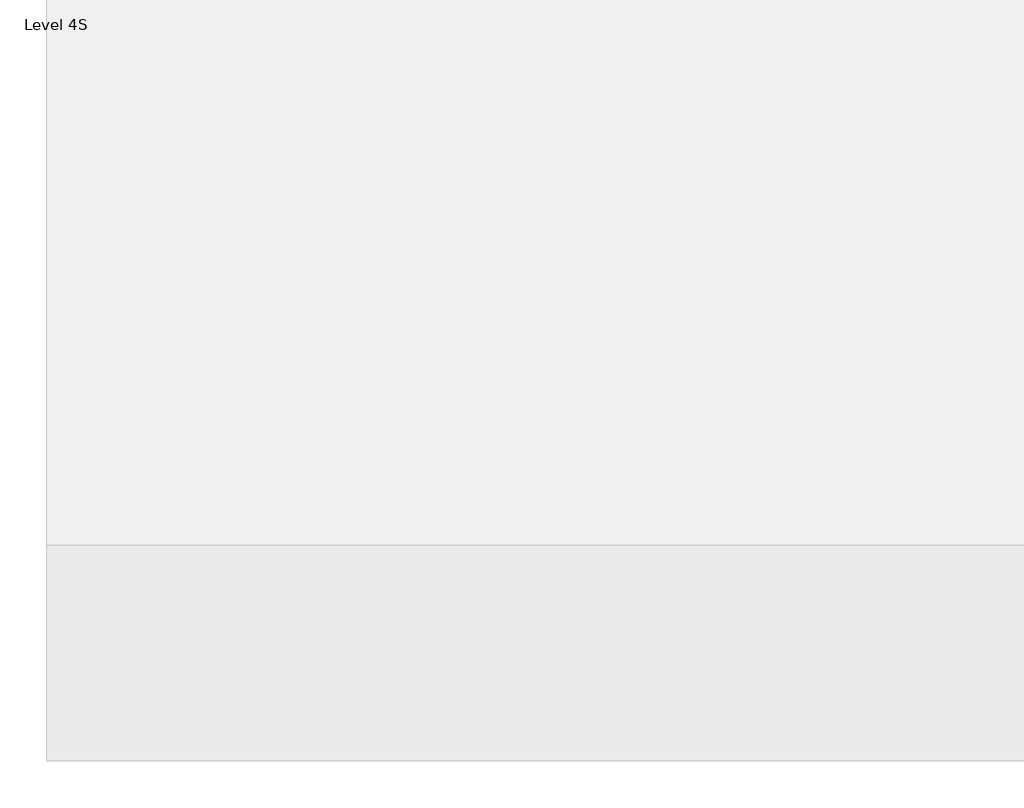
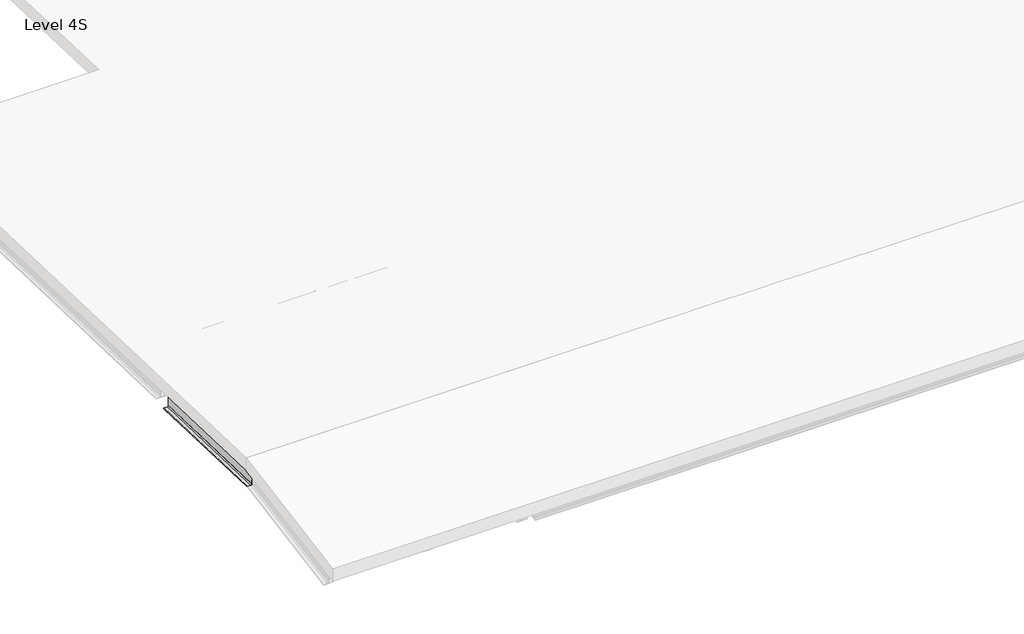
# One storey, part 9 of 15: 6 beams.
"""IFC4 building model written with IfcOpenShell, lengths in millimetres."""

import ifcopenshell
import ifcopenshell.guid

model = None  # the IFC model being written
_history = None  # IfcOwnerHistory: only IFC2X3 demands one
_inside = {}  # id of a spatial element -> (the spatial element, [elements in it])
_under = {}  # id of a project, library or spatial element -> (it, [spatial elements below it])
_declared = {}  # id of a project -> (the project, [libraries it declares])
_typed = {}  # id of a type object -> (the type object, [elements of that type])
_made_of = {}  # id of a material, layer set ... -> (it, [elements and type objects made of it])


def new_model(schema):
    """Start an empty IFC model of exactly this schema.

    Asked for "IFC4X3", IfcOpenShell would pick the latest addendum, in which some entities
    have other attributes; the version numbers below select the first issue.
    IFC2X3 requires an IfcOwnerHistory on every rooted entity: one is made here for all.
    """
    global model, _history
    if schema == "IFC4X3":
        model = ifcopenshell.file(schema_version=(4, 3, 0, 0))
    else:
        model = ifcopenshell.file(schema=schema)
    _inside.clear()
    _under.clear()
    _declared.clear()
    _typed.clear()
    _made_of.clear()
    _history = None
    if model.schema == "IFC2X3":
        org = make("IfcOrganization", Name="unknown")
        user = make(
            "IfcPersonAndOrganization",
            ThePerson=make("IfcPerson", FamilyName="unknown"),
            TheOrganization=org,
        )
        app = make(
            "IfcApplication",
            ApplicationDeveloper=org,
            Version="unknown",
            ApplicationFullName="unknown",
            ApplicationIdentifier="unknown",
        )
        _history = make(
            "IfcOwnerHistory",
            OwningUser=user,
            OwningApplication=app,
            ChangeAction="ADDED",
            CreationDate=0,
        )
    return model


def make(cls, **values):
    """One entity of the class cls with the attributes given. An attribute that is None is left unset."""
    return model.create_entity(
        cls, **{name: value for name, value in values.items() if value is not None}
    )


def rooted(cls, **values):
    """An entity with a GlobalId (a new one), such as an element, a storey or a relation."""
    return make(cls, GlobalId=ifcopenshell.guid.new(), OwnerHistory=_history, **values)


def si_unit(unit_type, name, prefix=None):
    """IfcSIUnit, for example si_unit("LENGTHUNIT", "METRE", prefix="MILLI")."""
    return make("IfcSIUnit", UnitType=unit_type, Prefix=prefix, Name=name)


def assignment(units):
    """IfcUnitAssignment: the units of a project."""
    return None if units is None else make("IfcUnitAssignment", Units=units)


def point(xyz):
    """IfcCartesianPoint."""
    return None if xyz is None else make("IfcCartesianPoint", Coordinates=xyz)


def direction(xyz):
    """IfcDirection."""
    return None if xyz is None else make("IfcDirection", DirectionRatios=xyz)


def frame(location, z_axis=None, x_axis=None):
    """IfcAxis2Placement3D, a coordinate frame: its origin and axes. An axis left out is left unset."""
    return make(
        "IfcAxis2Placement3D",
        Location=point(location),
        Axis=direction(z_axis),
        RefDirection=direction(x_axis),
    )


def origin():
    """The frame at (0, 0, 0) with its axes left unset."""
    return frame((0.0, 0.0, 0.0))


def place(relative_to, where):
    """IfcLocalPlacement: puts the frame where relative to a parent placement (None: the world)."""
    return make(
        "IfcLocalPlacement", PlacementRelTo=relative_to, RelativePlacement=where
    )


def context(
    kind, dimensions, precision=None, world=None, true_north=None, identifier=None
):
    """IfcGeometricRepresentationContext, for example the 3D "Model" context."""
    return make(
        "IfcGeometricRepresentationContext",
        ContextIdentifier=identifier,
        ContextType=kind,
        CoordinateSpaceDimension=dimensions,
        Precision=precision,
        WorldCoordinateSystem=world,
        TrueNorth=true_north,
    )


def project(units=None, contexts=None):
    """IfcProject with its units and contexts."""
    return rooted(
        "IfcProject",
        Name="project",
        RepresentationContexts=contexts,
        UnitsInContext=assignment(units),
    )


def spatial(cls, under=None, at=None, **own):
    """A site, building, storey or space (cls), placed at a placement, below another one or the project."""
    s = rooted(cls, ObjectPlacement=at, **own)
    if under is not None:
        _under.setdefault(under.id(), (under, []))[1].append(s)
    return s


def polyline(points):
    """IfcPolyline through the points."""
    return make("IfcPolyline", Points=[point(p) for p in points])


def circle_curve(where, radius):
    """IfcCircle in the frame where."""
    return make("IfcCircle", Position=where, Radius=radius)


def ellipse_curve(where, semi_axis1, semi_axis2):
    """IfcEllipse in the frame where."""
    return make(
        "IfcEllipse", Position=where, SemiAxis1=semi_axis1, SemiAxis2=semi_axis2
    )


def shape(context_of_items, identifier, shape_type, items):
    """IfcShapeRepresentation: the items that make up one representation, for example the "Body"."""
    return make(
        "IfcShapeRepresentation",
        ContextOfItems=context_of_items,
        RepresentationIdentifier=identifier,
        RepresentationType=shape_type,
        Items=items,
    )


def made_of(thing, what):
    """Note that an element or type object is made of a material, layer set ...; save() writes the relation."""
    if what is not None:
        _made_of.setdefault(what.id(), (what, []))[1].append(thing)
    return thing


def element(
    cls,
    number,
    at=None,
    inside=None,
    cuts=None,
    type_object=None,
    material=None,
    context=None,
    identifier="Body",
    shape_type=None,
    held_by="IfcProductDefinitionShape",
    body=None,
    shapes=None,
    **own,
):
    """One element of the class cls, such as IfcWall. Its Tag is "e" and its number.

    at: its placement. inside: the storey or other place that contains it. cuts: it is an
    opening in that element (IfcRelVoidsElement). A single representation is given by context,
    identifier, shape_type and body (its items); several are given by shapes. held_by: the class
    of the entity that holds the representations. save() writes the other relations.
    """
    e = rooted(cls, Tag="e%d" % number, ObjectPlacement=at, **own)
    if body is not None:
        shapes = [shape(context, identifier, shape_type, body)]
    if shapes is not None:
        e.Representation = make(held_by, Representations=shapes)
    if inside is not None:
        _inside.setdefault(inside.id(), (inside, []))[1].append(e)
    if cuts is not None:
        rooted(
            "IfcRelVoidsElement", RelatingBuildingElement=cuts, RelatedOpeningElement=e
        )
    if type_object is not None:
        _typed.setdefault(type_object.id(), (type_object, []))[1].append(e)
    return made_of(e, material)


def aggregate(whole, parts):
    """IfcRelAggregates: a whole, such as a stair, and the parts it consists of."""
    return rooted("IfcRelAggregates", RelatingObject=whole, RelatedObjects=parts)


def save(model, path):
    """Write the relations noted so far, then the file.

    IfcRelAggregates (storeys below a building ...), IfcRelContainedInSpatialStructure (elements
    in a storey), IfcRelDefinesByType, IfcRelAssociatesMaterial and IfcRelDeclares: one each for
    every whole, place, type object, material and project.
    """
    for whole, parts in _under.values():
        aggregate(whole, parts)
    for where, things in _inside.values():
        rooted(
            "IfcRelContainedInSpatialStructure",
            RelatedElements=things,
            RelatingStructure=where,
        )
    for kind, things in _typed.values():
        rooted("IfcRelDefinesByType", RelatedObjects=things, RelatingType=kind)
    for what, things in _made_of.values():
        rooted("IfcRelAssociatesMaterial", RelatedObjects=things, RelatingMaterial=what)
    for by, libraries in _declared.values():
        rooted("IfcRelDeclares", RelatingContext=by, RelatedDefinitions=libraries)
    model.write(path)


def plane_surface(at):
    """IfcPlane: the flat surface through the origin of the frame at, square to its z axis."""
    return make("IfcPlane", Position=at)


def revolved_surface(curve, axis_point, axis_direction):
    """IfcSurfaceOfRevolution: the curve turned about the line through axis_point along axis_direction."""
    return make(
        "IfcSurfaceOfRevolution",
        SweptCurve=make("IfcArbitraryOpenProfileDef", ProfileType="CURVE", Curve=curve),
        AxisPosition=make("IfcAxis1Placement", Location=point(axis_point), Axis=direction(axis_direction)),
    )


def advanced_brep(points, edges, surfaces, faces):
    """IfcAdvancedBrep: a solid bounded by faces that lie on surfaces and meet in shared edges.

    An edge is (start, end): straight between two places in points (the first is 0);
    or (start, end, curve); or (start, end, curve, False) where it runs against its curve.
    A face is (place in surfaces, loops), or (place, loops, False) where it looks against
    its surface's normal. A loop lists edges by number (the first is 1), with a minus sign
    where the edge is run from its end to its start. The first loop is the outer one.
    """
    corners = [point(p) for p in points]
    vertices = [make("IfcVertexPoint", VertexGeometry=c) for c in corners]
    made = []
    for start, end, *more in edges:
        made.append(
            make(
                "IfcEdgeCurve",
                EdgeStart=vertices[start],
                EdgeEnd=vertices[end],
                EdgeGeometry=more[0] if more else make("IfcPolyline", Points=[corners[start], corners[end]]),
                SameSense=more[1] if len(more) > 1 else True,
            )
        )
    hull = []
    for where, loops, *sense in faces:
        bounds = []
        for j, loop in enumerate(loops):
            ring = [make("IfcOrientedEdge", EdgeElement=made[abs(k) - 1], Orientation=k > 0) for k in loop]
            bounds.append(
                make(
                    "IfcFaceOuterBound" if j == 0 else "IfcFaceBound",
                    Bound=make("IfcEdgeLoop", EdgeList=ring),
                    Orientation=True,
                )
            )
        hull.append(make("IfcAdvancedFace", Bounds=bounds, FaceSurface=surfaces[where], SameSense=sense[0] if sense else True))
    return make("IfcAdvancedBrep", Outer=make("IfcClosedShell", CfsFaces=hull))


model = new_model("IFC4")

# Units and contexts
model_context = context("Model", 3, world=origin())
ifc_project = project(units=[si_unit("LENGTHUNIT", "METRE", prefix="MILLI")], contexts=[model_context])

# Site, building, storey
site = spatial("IfcSite", under=ifc_project)
building = spatial("IfcBuilding", under=site)
storey = spatial("IfcBuildingStorey", under=building, Name="Level 4S", Elevation=15900.0)

# Beams
placement = place(None, origin())
element("IfcBeam", 1, ObjectType="IPE-Section : IPE 240", at=placement, inside=storey, context=model_context, shape_type="AdvancedBrep", body=[
    advanced_brep(
    [(-3172.5749186, -23184.2185102, 14451.6833208), (-3214.4749186, -23184.2185102, 14451.6833208), (-3229.4749186, -23186.8095949, 14466.4578353), (-3229.4749186, -23219.6990962, 14653.9956734), (-3214.4749186, -23222.2901809, 14668.7701879), (-3172.5749186, -23222.2901809, 14668.7701879), (-3172.5749186, -23223.9830229, 14678.4228708), (-3292.5749186, -23223.9830229, 14678.4228708), (-3292.5749186, -23222.2901809, 14668.7701879), (-3250.6749186, -23222.2901809, 14668.7701879), (-3235.6749186, -23219.6990962, 14653.9956734), (-3235.6749186, -23186.8095949, 14466.4578353), (-3250.6749186, -23184.2185102, 14451.6833208), (-3292.5749186, -23184.2185102, 14451.6833208), (-3292.5749186, -23182.5256682, 14442.0306379), (-3172.5749186, -23182.5256682, 14442.0306379), (-3214.4749186, -21092.1754011, 14818.5759721), (-3172.5749186, -21092.1754011, 14818.5759721), (-3229.4749186, -21093.2402347, 14833.6181534), (-3229.4749186, -21106.7565219, 15024.5535743), (-3214.4749186, -21107.8213555, 15039.5957556), (-3172.5749186, -21107.8213555, 15039.5957556), (-3172.5749186, -21108.5170467, 15049.423314), (-3292.5749186, -21108.5170467, 15049.423314), (-3292.5749186, -21107.8213555, 15039.5957556), (-3250.6749186, -21107.8213555, 15039.5957556), (-3235.6749186, -21106.7565219, 15024.5535743), (-3235.6749186, -21093.2402347, 14833.6181534), (-3250.6749186, -21092.1754011, 14818.5759721), (-3292.5749186, -21092.1754011, 14818.5759721), (-3292.5749186, -21091.4797099, 14808.7484137), (-3172.5749186, -21091.4797099, 14808.7484137)],
    [
        (0, 1),
        (1, 2, circle_curve(frame((-3214.4749186, -23186.8095949, 14466.4578353), z_axis=(0.0, 0.9849676368369048, 0.17273897760471782), x_axis=(-1.0, 0.0, 0.0)), 15.0)),
        (2, 3),
        (3, 4, circle_curve(frame((-3214.4749186, -23219.6990962, 14653.9956734), z_axis=(0.0, 0.9849676368369048, 0.17273897760471782), x_axis=(-1.0, 0.0, 0.0)), 15.0)),
        (4, 5),
        (5, 6),
        (6, 7),
        (7, 8),
        (8, 9),
        (9, 10, circle_curve(frame((-3250.6749186, -23219.6990962, 14653.9956734), z_axis=(0.0, 0.9849676368369048, 0.17273897760471782), x_axis=(-1.0, 0.0, 0.0)), 15.0)),
        (10, 11),
        (11, 12, circle_curve(frame((-3250.6749186, -23186.8095949, 14466.4578353), z_axis=(0.0, 0.9849676368369048, 0.17273897760471782), x_axis=(-1.0, 0.0, 0.0)), 15.0)),
        (12, 13),
        (13, 14),
        (14, 15),
        (15, 0),
        (16, 1),
        (0, 17),
        (17, 16),
        (18, 2),
        (16, 18, ellipse_curve(frame((-3214.4749186, -21093.2402347, 14833.6181534), z_axis=(0.0, 0.9975037774235432, 0.07061312927326088), x_axis=(0.0, 0.07061312927326037, -0.9975037774235433)), 15.0798239, 15.0)),
        (19, 3),
        (18, 19),
        (20, 4),
        (19, 20, ellipse_curve(frame((-3214.4749186, -21106.7565219, 15024.5535743), z_axis=(0.0, 0.9975037774235432, 0.07061312927326088), x_axis=(0.0, 0.07061312927326037, -0.9975037774235433)), 15.0798239, 15.0)),
        (21, 5),
        (20, 21),
        (22, 6),
        (21, 22),
        (23, 7),
        (22, 23),
        (24, 8),
        (23, 24),
        (25, 9),
        (24, 25),
        (26, 10),
        (25, 26, ellipse_curve(frame((-3250.6749186, -21106.7565219, 15024.5535743), z_axis=(0.0, 0.9975037774235432, 0.07061312927326088), x_axis=(0.0, 0.07061312927326037, -0.9975037774235433)), 15.0798239, 15.0)),
        (27, 11),
        (26, 27),
        (28, 12),
        (27, 28, ellipse_curve(frame((-3250.6749186, -21093.2402347, 14833.6181534), z_axis=(0.0, 0.9975037774235432, 0.07061312927326088), x_axis=(0.0, 0.07061312927326037, -0.9975037774235433)), 15.0798239, 15.0)),
        (29, 13),
        (28, 29),
        (30, 14),
        (29, 30),
        (31, 15),
        (30, 31),
        (31, 17),
    ],
    [
        plane_surface(frame((-3232.5749186, -23203.2543455, 14560.2267544), z_axis=(0.0, -0.9849676368369048, -0.17273897760471782), x_axis=(0.0, -0.17273897760471782, 0.9849676368369048))),
        plane_surface(frame((-3172.5749186, -21068.7525341, 14822.683764), z_axis=(0.0, -0.17273897760471782, 0.9849676368369048), x_axis=(0.0, -0.9849676368369048, -0.17273897760471782))),
        revolved_surface(polyline([(-3229.4749186, -23186.809594902814, 14466.457835316045), (-3229.4749186, -21091.71398358211, 14833.885820103322)]), (-3214.4749186, -21071.3436187, 14837.4582786), (0.0, -0.9849676368369048, -0.17273897760471782)),
        plane_surface(frame((-3229.4749186, -21071.3436187, 14837.4582786), z_axis=(1.0, 0.0, 0.0), x_axis=(0.0, -0.9849676368369048, -0.17273897760471782))),
        revolved_surface(polyline([(-3229.4749186, -23219.6990962496, 14653.99567342538), (-3229.4749186, -21105.230270801516, 15024.821241113985)]), (-3214.4749186, -21104.2331201, 15024.9961167), (0.0, -0.9849676368369048, -0.17273897760471782)),
        plane_surface(frame((-3214.4749186, -21106.8242047, 15039.7706312), z_axis=(0.0, 0.17273897760471782, -0.9849676368369048), x_axis=(0.0, -0.9849676368369048, -0.17273897760471782))),
        plane_surface(frame((-3172.5749186, -21106.8242047, 15039.7706312), z_axis=(1.0, 0.0, 0.0), x_axis=(0.0, -0.9849676368369048, -0.17273897760471782))),
        plane_surface(frame((-3172.5749186, -21108.5170467, 15049.423314), z_axis=(0.0, -0.17273897760471782, 0.9849676368369048), x_axis=(0.0, -0.9849676368369048, -0.17273897760471782))),
        plane_surface(frame((-3292.5749186, -21108.5170467, 15049.423314), z_axis=(-1.0, 0.0, 0.0), x_axis=(0.0, -0.9849676368369048, -0.17273897760471782))),
        plane_surface(frame((-3292.5749186, -21106.8242047, 15039.7706312), z_axis=(0.0, 0.17273897760471782, -0.9849676368369048), x_axis=(0.0, -0.9849676368369048, -0.17273897760471782))),
        revolved_surface(polyline([(-3265.6749186, -23219.6990962496, 14653.99567342538), (-3265.6749186, -21105.230270801516, 15024.821241113985)]), (-3250.6749186, -21104.2331201, 15024.9961167), (0.0, -0.9849676368369048, -0.17273897760471782)),
        plane_surface(frame((-3235.6749186, -21104.2331201, 15024.9961167), z_axis=(-1.0, 0.0, 0.0), x_axis=(0.0, -0.9849676368369048, -0.17273897760471782))),
        revolved_surface(polyline([(-3265.6749186, -23186.809594902814, 14466.457835316045), (-3265.6749186, -21091.71398358211, 14833.885820103322)]), (-3250.6749186, -21071.3436187, 14837.4582786), (0.0, -0.9849676368369048, -0.17273897760471782)),
        plane_surface(frame((-3250.6749186, -21068.7525341, 14822.683764), z_axis=(0.0, -0.17273897760471782, 0.9849676368369048), x_axis=(0.0, -0.9849676368369048, -0.17273897760471782))),
        plane_surface(frame((-3292.5749186, -21068.7525341, 14822.683764), z_axis=(-1.0, 0.0, 0.0), x_axis=(0.0, -0.9849676368369048, -0.17273897760471782))),
        plane_surface(frame((-3292.5749186, -21067.0596921, 14813.0310812), z_axis=(0.0, 0.17273897760471782, -0.9849676368369048), x_axis=(0.0, -0.9849676368369048, -0.17273897760471782))),
        plane_surface(frame((-3172.5749186, -21067.0596921, 14813.0310812), z_axis=(1.0, 0.0, 0.0), x_axis=(0.0, -0.9849676368369048, -0.17273897760471782))),
        plane_surface(frame((-3232.5749186, -21108.5170467, 15049.423314), z_axis=(0.0, 0.9975037774235432, 0.07061312927326088), x_axis=(1.0, 0.0, 0.0))),
    ],
    [
        (0, [[1, 2, 3, 4, 5, 6, 7, 8, 9, 10, 11, 12, 13, 14, 15, 16]]),
        (1, [[17, -1, 18, 19]]),
        (2, [[20, -2, -17, 21]]),
        (3, [[22, -3, -20, 23]]),
        (4, [[24, -4, -22, 25]]),
        (5, [[26, -5, -24, 27]]),
        (6, [[28, -6, -26, 29]]),
        (7, [[30, -7, -28, 31]]),
        (8, [[32, -8, -30, 33]]),
        (9, [[34, -9, -32, 35]]),
        (10, [[36, -10, -34, 37]]),
        (11, [[38, -11, -36, 39]]),
        (12, [[40, -12, -38, 41]]),
        (13, [[42, -13, -40, 43]]),
        (14, [[44, -14, -42, 45]]),
        (15, [[46, -15, -44, 47]]),
        (16, [[-18, -16, -46, 48]]),
        (17, [[-48, -47, -45, -43, -41, -39, -37, -35, -33, -31, -29, -27, -25, -23, -21, -19]]),
    ],
),
])
element("IfcBeam", 2, ObjectType="IPE-Section : IPE 240", at=placement, inside=storey, context=model_context, shape_type="AdvancedBrep", body=[
    advanced_brep(
    [(-55.0786851, -23184.2185102, 14451.6833208), (-96.9786851, -23184.2185102, 14451.6833208), (-111.9786851, -23186.8095949, 14466.4578353), (-111.9786851, -23219.6990962, 14653.9956734), (-96.9786851, -23222.2901809, 14668.7701879), (-55.0786851, -23222.2901809, 14668.7701879), (-55.0786851, -23223.9830229, 14678.4228708), (-175.0786851, -23223.9830229, 14678.4228708), (-175.0786851, -23222.2901809, 14668.7701879), (-133.1786851, -23222.2901809, 14668.7701879), (-118.1786851, -23219.6990962, 14653.9956734), (-118.1786851, -23186.8095949, 14466.4578353), (-133.1786851, -23184.2185102, 14451.6833208), (-175.0786851, -23184.2185102, 14451.6833208), (-175.0786851, -23182.5256682, 14442.0306379), (-55.0786851, -23182.5256682, 14442.0306379), (-96.9786851, -21092.1754011, 14818.5759721), (-55.0786851, -21092.1754011, 14818.5759721), (-111.9786851, -21093.2402347, 14833.6181534), (-111.9786851, -21106.7565219, 15024.5535743), (-96.9786851, -21107.8213555, 15039.5957556), (-55.0786851, -21107.8213555, 15039.5957556), (-55.0786851, -21108.5170467, 15049.423314), (-175.0786851, -21108.5170467, 15049.423314), (-175.0786851, -21107.8213555, 15039.5957556), (-133.1786851, -21107.8213555, 15039.5957556), (-118.1786851, -21106.7565219, 15024.5535743), (-118.1786851, -21093.2402347, 14833.6181534), (-133.1786851, -21092.1754011, 14818.5759721), (-175.0786851, -21092.1754011, 14818.5759721), (-175.0786851, -21091.4797099, 14808.7484137), (-55.0786851, -21091.4797099, 14808.7484137)],
    [
        (0, 1),
        (1, 2, circle_curve(frame((-96.9786851, -23186.8095949, 14466.4578353), z_axis=(0.0, 0.9849676368369048, 0.17273897760471782), x_axis=(-1.0, 0.0, 0.0)), 15.0)),
        (2, 3),
        (3, 4, circle_curve(frame((-96.9786851, -23219.6990962, 14653.9956734), z_axis=(0.0, 0.9849676368369048, 0.17273897760471782), x_axis=(-1.0, 0.0, 0.0)), 15.0)),
        (4, 5),
        (5, 6),
        (6, 7),
        (7, 8),
        (8, 9),
        (9, 10, circle_curve(frame((-133.1786851, -23219.6990962, 14653.9956734), z_axis=(0.0, 0.9849676368369048, 0.17273897760471782), x_axis=(-1.0, 0.0, 0.0)), 15.0)),
        (10, 11),
        (11, 12, circle_curve(frame((-133.1786851, -23186.8095949, 14466.4578353), z_axis=(0.0, 0.9849676368369048, 0.17273897760471782), x_axis=(-1.0, 0.0, 0.0)), 15.0)),
        (12, 13),
        (13, 14),
        (14, 15),
        (15, 0),
        (16, 1),
        (0, 17),
        (17, 16),
        (18, 2),
        (16, 18, ellipse_curve(frame((-96.9786851, -21093.2402347, 14833.6181534), z_axis=(0.0, 0.997503777423542, 0.07061312927327876), x_axis=(0.0, 0.07061312927327909, -0.997503777423542)), 15.0798239, 15.0)),
        (19, 3),
        (18, 19),
        (20, 4),
        (19, 20, ellipse_curve(frame((-96.9786851, -21106.7565219, 15024.5535743), z_axis=(0.0, 0.997503777423542, 0.07061312927327876), x_axis=(0.0, 0.07061312927327909, -0.997503777423542)), 15.0798239, 15.0)),
        (21, 5),
        (20, 21),
        (22, 6),
        (21, 22),
        (23, 7),
        (22, 23),
        (24, 8),
        (23, 24),
        (25, 9),
        (24, 25),
        (26, 10),
        (25, 26, ellipse_curve(frame((-133.1786851, -21106.7565219, 15024.5535743), z_axis=(0.0, 0.997503777423542, 0.07061312927327876), x_axis=(0.0, 0.07061312927327909, -0.997503777423542)), 15.0798239, 15.0)),
        (27, 11),
        (26, 27),
        (28, 12),
        (27, 28, ellipse_curve(frame((-133.1786851, -21093.2402347, 14833.6181534), z_axis=(0.0, 0.997503777423542, 0.07061312927327876), x_axis=(0.0, 0.07061312927327909, -0.997503777423542)), 15.0798239, 15.0)),
        (29, 13),
        (28, 29),
        (30, 14),
        (29, 30),
        (31, 15),
        (30, 31),
        (31, 17),
    ],
    [
        plane_surface(frame((-115.0786851, -23203.2543455, 14560.2267544), z_axis=(0.0, -0.9849676368369048, -0.17273897760471782), x_axis=(0.0, -0.17273897760471782, 0.9849676368369048))),
        plane_surface(frame((-55.0786851, -21068.7525341, 14822.683764), z_axis=(0.0, -0.17273897760471782, 0.9849676368369048), x_axis=(0.0, -0.9849676368369048, -0.17273897760471782))),
        revolved_surface(polyline([(-111.9786851, -23186.809594902814, 14466.457835316045), (-111.9786851, -21091.71398358211, 14833.885820103322)]), (-96.9786851, -21071.3436187, 14837.4582786), (0.0, -0.9849676368369048, -0.17273897760471782)),
        plane_surface(frame((-111.9786851, -21071.3436187, 14837.4582786), z_axis=(1.0, 0.0, 0.0), x_axis=(0.0, -0.9849676368369048, -0.17273897760471782))),
        revolved_surface(polyline([(-111.9786851, -23219.6990962496, 14653.99567342538), (-111.9786851, -21105.230270801516, 15024.821241113985)]), (-96.9786851, -21104.2331201, 15024.9961167), (0.0, -0.9849676368369048, -0.17273897760471782)),
        plane_surface(frame((-96.9786851, -21106.8242047, 15039.7706312), z_axis=(0.0, 0.17273897760471782, -0.9849676368369048), x_axis=(0.0, -0.9849676368369048, -0.17273897760471782))),
        plane_surface(frame((-55.0786851, -21106.8242047, 15039.7706312), z_axis=(1.0, 0.0, 0.0), x_axis=(0.0, -0.9849676368369048, -0.17273897760471782))),
        plane_surface(frame((-55.0786851, -21108.5170467, 15049.423314), z_axis=(0.0, -0.17273897760471782, 0.9849676368369048), x_axis=(0.0, -0.9849676368369048, -0.17273897760471782))),
        plane_surface(frame((-175.0786851, -21108.5170467, 15049.423314), z_axis=(-1.0, 0.0, 0.0), x_axis=(0.0, -0.9849676368369048, -0.17273897760471782))),
        plane_surface(frame((-175.0786851, -21106.8242047, 15039.7706312), z_axis=(0.0, 0.17273897760471782, -0.9849676368369048), x_axis=(0.0, -0.9849676368369048, -0.17273897760471782))),
        revolved_surface(polyline([(-148.1786851, -23219.6990962496, 14653.99567342538), (-148.1786851, -21105.230270801516, 15024.821241113985)]), (-133.1786851, -21104.2331201, 15024.9961167), (0.0, -0.9849676368369048, -0.17273897760471782)),
        plane_surface(frame((-118.1786851, -21104.2331201, 15024.9961167), z_axis=(-1.0, 0.0, 0.0), x_axis=(0.0, -0.9849676368369048, -0.17273897760471782))),
        revolved_surface(polyline([(-148.1786851, -23186.809594902814, 14466.457835316045), (-148.1786851, -21091.71398358211, 14833.885820103322)]), (-133.1786851, -21071.3436187, 14837.4582786), (0.0, -0.9849676368369048, -0.17273897760471782)),
        plane_surface(frame((-133.1786851, -21068.7525341, 14822.683764), z_axis=(0.0, -0.17273897760471782, 0.9849676368369048), x_axis=(0.0, -0.9849676368369048, -0.17273897760471782))),
        plane_surface(frame((-175.0786851, -21068.7525341, 14822.683764), z_axis=(-1.0, 0.0, 0.0), x_axis=(0.0, -0.9849676368369048, -0.17273897760471782))),
        plane_surface(frame((-175.0786851, -21067.0596921, 14813.0310812), z_axis=(0.0, 0.17273897760471782, -0.9849676368369048), x_axis=(0.0, -0.9849676368369048, -0.17273897760471782))),
        plane_surface(frame((-55.0786851, -21067.0596921, 14813.0310812), z_axis=(1.0, 0.0, 0.0), x_axis=(0.0, -0.9849676368369048, -0.17273897760471782))),
        plane_surface(frame((-115.0786851, -21108.5170467, 15049.423314), z_axis=(0.0, 0.997503777423542, 0.07061312927327876), x_axis=(1.0, 0.0, 0.0))),
    ],
    [
        (0, [[1, 2, 3, 4, 5, 6, 7, 8, 9, 10, 11, 12, 13, 14, 15, 16]]),
        (1, [[17, -1, 18, 19]]),
        (2, [[20, -2, -17, 21]]),
        (3, [[22, -3, -20, 23]]),
        (4, [[24, -4, -22, 25]]),
        (5, [[26, -5, -24, 27]]),
        (6, [[28, -6, -26, 29]]),
        (7, [[30, -7, -28, 31]]),
        (8, [[32, -8, -30, 33]]),
        (9, [[34, -9, -32, 35]]),
        (10, [[36, -10, -34, 37]]),
        (11, [[38, -11, -36, 39]]),
        (12, [[40, -12, -38, 41]]),
        (13, [[42, -13, -40, 43]]),
        (14, [[44, -14, -42, 45]]),
        (15, [[46, -15, -44, 47]]),
        (16, [[-18, -16, -46, 48]]),
        (17, [[-48, -47, -45, -43, -41, -39, -37, -35, -33, -31, -29, -27, -25, -23, -21, -19]]),
    ],
),
])
element("IfcBeam", 3, ObjectType="IPE-Section : IPE 240", at=placement, inside=storey, context=model_context, shape_type="AdvancedBrep", body=[
    advanced_brep(
    [(-6247.5748748, -17859.6512172, 14714.2395), (-6247.5748748, -17859.967368, 14704.4446009), (-6367.5748748, -17859.967368, 14704.4446009), (-6367.5748748, -17859.6512172, 14714.2395), (-6325.6748748, -17859.6512172, 14714.2395), (-6310.6748748, -17859.1673129, 14729.2316926), (-6310.6748748, -17853.0249538, 14919.5325896), (-6325.6748748, -17852.5410495, 14934.5247822), (-6367.5748748, -17852.5410495, 14934.5247822), (-6367.5748748, -17852.2248986, 14944.3196813), (-6247.5748748, -17852.2248986, 14944.3196813), (-6247.5748748, -17852.5410495, 14934.5247822), (-6289.4748748, -17852.5410495, 14934.5247822), (-6304.4748748, -17853.0249538, 14919.5325896), (-6304.4748748, -17859.1673129, 14729.2316926), (-6289.4748748, -17859.6512172, 14714.2395), (-6289.4748748, -21092.1754011, 14818.5759721), (-6247.5748748, -21092.1754011, 14818.5759721), (-6304.4748748, -21093.2402347, 14833.6181534), (-6304.4748748, -21106.7565219, 15024.5535743), (-6289.4748748, -21107.8213555, 15039.5957556), (-6247.5748748, -21107.8213555, 15039.5957556), (-6247.5748748, -21108.5170467, 15049.423314), (-6367.5748748, -21108.5170467, 15049.423314), (-6367.5748748, -21107.8213555, 15039.5957556), (-6325.6748748, -21107.8213555, 15039.5957556), (-6310.6748748, -21106.7565219, 15024.5535743), (-6310.6748748, -21093.2402347, 14833.6181534), (-6325.6748748, -21092.1754011, 14818.5759721), (-6367.5748748, -21092.1754011, 14818.5759721), (-6367.5748748, -21091.4797099, 14808.7484137), (-6247.5748748, -21091.4797099, 14808.7484137)],
    [
        (0, 1),
        (1, 2),
        (2, 3),
        (3, 4),
        (4, 5, circle_curve(frame((-6325.6748748, -17859.1673129, 14729.2316926), z_axis=(0.0, -0.9994795014102584, 0.032260289222220004), x_axis=(-1.0, 0.0, 0.0)), 15.0)),
        (5, 6),
        (6, 7, circle_curve(frame((-6325.6748748, -17853.0249538, 14919.5325896), z_axis=(0.0, -0.9994795014102584, 0.032260289222220004), x_axis=(-1.0, 0.0, 0.0)), 15.0)),
        (7, 8),
        (8, 9),
        (9, 10),
        (10, 11),
        (11, 12),
        (12, 13, circle_curve(frame((-6289.4748748, -17853.0249538, 14919.5325896), z_axis=(0.0, -0.9994795014102584, 0.032260289222220004), x_axis=(-1.0, 0.0, 0.0)), 15.0)),
        (13, 14),
        (14, 15, circle_curve(frame((-6289.4748748, -17859.1673129, 14729.2316926), z_axis=(0.0, -0.9994795014102584, 0.032260289222220004), x_axis=(-1.0, 0.0, 0.0)), 15.0)),
        (15, 0),
        (15, 16),
        (16, 17),
        (17, 0),
        (14, 18),
        (18, 16, ellipse_curve(frame((-6289.4748748, -21093.2402347, 14833.6181534), z_axis=(0.0, -0.997503777423277, -0.07061312927702171), x_axis=(0.0, -0.07061312927702196, 0.997503777423277)), 15.0798239, 15.0)),
        (13, 19),
        (19, 18),
        (12, 20),
        (20, 19, ellipse_curve(frame((-6289.4748748, -21106.7565219, 15024.5535743), z_axis=(0.0, -0.997503777423277, -0.07061312927702171), x_axis=(0.0, -0.07061312927702196, 0.997503777423277)), 15.0798239, 15.0)),
        (11, 21),
        (21, 20),
        (10, 22),
        (22, 21),
        (9, 23),
        (23, 22),
        (8, 24),
        (24, 23),
        (7, 25),
        (25, 24),
        (6, 26),
        (26, 25, ellipse_curve(frame((-6325.6748748, -21106.7565219, 15024.5535743), z_axis=(0.0, -0.997503777423277, -0.07061312927702171), x_axis=(0.0, -0.07061312927702196, 0.997503777423277)), 15.0798239, 15.0)),
        (5, 27),
        (27, 26),
        (4, 28),
        (28, 27, ellipse_curve(frame((-6325.6748748, -21093.2402347, 14833.6181534), z_axis=(0.0, -0.997503777423277, -0.07061312927702171), x_axis=(0.0, -0.07061312927702196, 0.997503777423277)), 15.0798239, 15.0)),
        (3, 29),
        (29, 28),
        (2, 30),
        (30, 29),
        (1, 31),
        (31, 30),
        (17, 31),
    ],
    [
        plane_surface(frame((-6307.5748748, -17856.0961333, 14824.3821411), z_axis=(0.0, 0.9994795014102584, -0.032260289222220004), x_axis=(0.0, 0.032260289222220004, 0.9994795014102584))),
        plane_surface(frame((-6247.5748748, -17859.6512172, 14714.2395), z_axis=(0.0, 0.032260289222220004, 0.9994795014102584), x_axis=(0.0, -0.9994795014102584, 0.032260289222220004))),
        revolved_surface(polyline([(-6304.4748748, -21094.78897259292, 14833.668142180097), (-6304.4748748, -17859.167312859165, 14729.231692598682)]), (-6289.4748748, -17859.1673129, 14729.2316926), (0.0, -0.9994795014102584, 0.032260289222220004)),
        plane_surface(frame((-6304.4748748, -17859.1673129, 14729.2316926), z_axis=(1.0, 0.0, 0.0), x_axis=(0.0, -0.9994795014102584, 0.032260289222220004))),
        revolved_surface(polyline([(-6304.4748748, -21108.30525983876, 15024.603563065719), (-6304.4748748, -17853.0249538, 14919.5325896)]), (-6289.4748748, -17853.0249538, 14919.5325896), (0.0, -0.9994795014102584, 0.032260289222220004)),
        plane_surface(frame((-6289.4748748, -17852.5410495, 14934.5247822), z_axis=(0.0, -0.032260289222220004, -0.9994795014102584), x_axis=(0.0, -0.9994795014102584, 0.032260289222220004))),
        plane_surface(frame((-6247.5748748, -17852.5410495, 14934.5247822), z_axis=(1.0, 0.0, 0.0), x_axis=(0.0, -0.9994795014102584, 0.032260289222220004))),
        plane_surface(frame((-6247.5748748, -17852.2248986, 14944.3196813), z_axis=(0.0, 0.032260289222220004, 0.9994795014102584), x_axis=(0.0, -0.9994795014102584, 0.032260289222220004))),
        plane_surface(frame((-6367.5748748, -17852.2248986, 14944.3196813), z_axis=(-1.0, 0.0, 0.0), x_axis=(0.0, -0.9994795014102584, 0.032260289222220004))),
        plane_surface(frame((-6367.5748748, -17852.5410495, 14934.5247822), z_axis=(0.0, -0.032260289222220004, -0.9994795014102584), x_axis=(0.0, -0.9994795014102584, 0.032260289222220004))),
        revolved_surface(polyline([(-6340.6748748, -21108.30525983876, 15024.603563065719), (-6340.6748748, -17853.0249538, 14919.5325896)]), (-6325.6748748, -17853.0249538, 14919.5325896), (0.0, -0.9994795014102584, 0.032260289222220004)),
        plane_surface(frame((-6310.6748748, -17853.0249538, 14919.5325896), z_axis=(-1.0, 0.0, 0.0), x_axis=(0.0, -0.9994795014102584, 0.032260289222220004))),
        revolved_surface(polyline([(-6340.6748748, -21094.78897259292, 14833.668142180097), (-6340.6748748, -17859.167312859165, 14729.231692598682)]), (-6325.6748748, -17859.1673129, 14729.2316926), (0.0, -0.9994795014102584, 0.032260289222220004)),
        plane_surface(frame((-6325.6748748, -17859.6512172, 14714.2395), z_axis=(0.0, 0.032260289222220004, 0.9994795014102584), x_axis=(0.0, -0.9994795014102584, 0.032260289222220004))),
        plane_surface(frame((-6367.5748748, -17859.6512172, 14714.2395), z_axis=(-1.0, 0.0, 0.0), x_axis=(0.0, -0.9994795014102584, 0.032260289222220004))),
        plane_surface(frame((-6367.5748748, -17859.967368, 14704.4446009), z_axis=(0.0, -0.032260289222220004, -0.9994795014102584), x_axis=(0.0, -0.9994795014102584, 0.032260289222220004))),
        plane_surface(frame((-6247.5748748, -17859.967368, 14704.4446009), z_axis=(1.0, 0.0, 0.0), x_axis=(0.0, -0.9994795014102584, 0.032260289222220004))),
        plane_surface(frame((-6307.5748748, -21108.5170467, 15049.423314), z_axis=(0.0, -0.997503777423277, -0.07061312927702171), x_axis=(1.0, 0.0, 0.0))),
    ],
    [
        (0, [[1, 2, 3, 4, 5, 6, 7, 8, 9, 10, 11, 12, 13, 14, 15, 16]]),
        (1, [[17, 18, 19, -16]]),
        (2, [[20, 21, -17, -15]]),
        (3, [[22, 23, -20, -14]]),
        (4, [[24, 25, -22, -13]]),
        (5, [[26, 27, -24, -12]]),
        (6, [[28, 29, -26, -11]]),
        (7, [[30, 31, -28, -10]]),
        (8, [[32, 33, -30, -9]]),
        (9, [[34, 35, -32, -8]]),
        (10, [[36, 37, -34, -7]]),
        (11, [[38, 39, -36, -6]]),
        (12, [[40, 41, -38, -5]]),
        (13, [[42, 43, -40, -4]]),
        (14, [[44, 45, -42, -3]]),
        (15, [[46, 47, -44, -2]]),
        (16, [[-19, 48, -46, -1]]),
        (17, [[-18, -21, -23, -25, -27, -29, -31, -33, -35, -37, -39, -41, -43, -45, -47, -48]]),
    ],
),
])
element("IfcBeam", 4, ObjectType="IPE-Section : IPE 300", at=placement, inside=storey, context=model_context, shape_type="AdvancedBrep", body=[
    advanced_brep(
    [(-4762.5749186, -17959.6728789, 14658.3371307), (-4762.5749186, -17960.018064, 14647.6427), (-4912.5749186, -17960.018064, 14647.6427), (-4912.5749186, -17959.6728789, 14658.3371307), (-4856.1249186, -17959.6728789, 14658.3371307), (-4841.1249186, -17959.1889746, 14673.3293232), (-4841.1249186, -17951.1690667, 14921.7999272), (-4856.1249186, -17950.6851624, 14936.7921198), (-4912.5749186, -17950.6851624, 14936.7921198), (-4912.5749186, -17950.3399773, 14947.4865504), (-4762.5749186, -17950.3399773, 14947.4865504), (-4762.5749186, -17950.6851624, 14936.7921198), (-4819.0249186, -17950.6851624, 14936.7921198), (-4834.0249186, -17951.1690667, 14921.7999272), (-4834.0249186, -17959.1889746, 14673.3293232), (-4819.0249186, -17959.6728789, 14658.3371307), (-4819.0249186, -21087.9799569, 14759.3097779), (-4762.5749186, -21087.9799569, 14759.3097779), (-4834.0249186, -21089.0447905, 14774.3519592), (-4834.0249186, -21106.6926319, 15023.6510435), (-4819.0249186, -21107.7574654, 15038.6932247), (-4762.5749186, -21107.7574654, 15038.6932247), (-4762.5749186, -21108.5170467, 15049.423314), (-4912.5749186, -21108.5170467, 15049.423314), (-4912.5749186, -21107.7574654, 15038.6932247), (-4856.1249186, -21107.7574654, 15038.6932247), (-4841.1249186, -21106.6926319, 15023.6510435), (-4841.1249186, -21089.0447905, 14774.3519592), (-4856.1249186, -21087.9799569, 14759.3097779), (-4912.5749186, -21087.9799569, 14759.3097779), (-4912.5749186, -21087.2203757, 14748.5796886), (-4762.5749186, -21087.2203757, 14748.5796886)],
    [
        (0, 1),
        (1, 2),
        (2, 3),
        (3, 4),
        (4, 5, circle_curve(frame((-4856.1249186, -17959.1889746, 14673.3293232), z_axis=(0.0, -0.9994795014102584, 0.032260289222220004), x_axis=(-1.0, 0.0, 0.0)), 15.0)),
        (5, 6),
        (6, 7, circle_curve(frame((-4856.1249186, -17951.1690667, 14921.7999272), z_axis=(0.0, -0.9994795014102584, 0.032260289222220004), x_axis=(-1.0, 0.0, 0.0)), 15.0)),
        (7, 8),
        (8, 9),
        (9, 10),
        (10, 11),
        (11, 12),
        (12, 13, circle_curve(frame((-4819.0249186, -17951.1690667, 14921.7999272), z_axis=(0.0, -0.9994795014102584, 0.032260289222220004), x_axis=(-1.0, 0.0, 0.0)), 15.0)),
        (13, 14),
        (14, 15, circle_curve(frame((-4819.0249186, -17959.1889746, 14673.3293232), z_axis=(0.0, -0.9994795014102584, 0.032260289222220004), x_axis=(-1.0, 0.0, 0.0)), 15.0)),
        (15, 0),
        (15, 16),
        (16, 17),
        (17, 0),
        (14, 18),
        (18, 16, ellipse_curve(frame((-4819.0249186, -21089.0447905, 14774.3519592), z_axis=(0.0, -0.9975037774235432, -0.07061312927326102), x_axis=(0.0, -0.07061312927326112, 0.9975037774235431)), 15.0798239, 15.0)),
        (13, 19),
        (19, 18),
        (12, 20),
        (20, 19, ellipse_curve(frame((-4819.0249186, -21106.6926319, 15023.6510435), z_axis=(0.0, -0.9975037774235432, -0.07061312927326102), x_axis=(0.0, -0.07061312927326112, 0.9975037774235431)), 15.0798239, 15.0)),
        (11, 21),
        (21, 20),
        (10, 22),
        (22, 21),
        (9, 23),
        (23, 22),
        (8, 24),
        (24, 23),
        (7, 25),
        (25, 24),
        (6, 26),
        (26, 25, ellipse_curve(frame((-4856.1249186, -21106.6926319, 15023.6510435), z_axis=(0.0, -0.9975037774235432, -0.07061312927326102), x_axis=(0.0, -0.07061312927326112, 0.9975037774235431)), 15.0798239, 15.0)),
        (5, 27),
        (27, 26),
        (4, 28),
        (28, 27, ellipse_curve(frame((-4856.1249186, -21089.0447905, 14774.3519592), z_axis=(0.0, -0.9975037774235432, -0.07061312927326102), x_axis=(0.0, -0.07061312927326112, 0.9975037774235431)), 15.0798239, 15.0)),
        (3, 29),
        (29, 28),
        (2, 30),
        (30, 29),
        (1, 31),
        (31, 30),
        (17, 31),
    ],
    [
        plane_surface(frame((-4837.5749186, -17955.1790207, 14797.5646252), z_axis=(0.0, 0.9994795014102584, -0.032260289222220004), x_axis=(0.0, 0.032260289222220004, 0.9994795014102584))),
        plane_surface(frame((-4762.5749186, -17959.6728789, 14658.3371307), z_axis=(0.0, 0.032260289222220004, 0.9994795014102584), x_axis=(0.0, -0.9994795014102584, 0.032260289222220004))),
        revolved_surface(polyline([(-4834.0249186, -21090.593528394293, 14774.401947935818), (-4834.0249186, -17959.18897456239, 14673.329323198786)]), (-4819.0249186, -17959.1889746, 14673.3293232), (0.0, -0.9994795014102584, 0.032260289222220004)),
        plane_surface(frame((-4834.0249186, -17959.1889746, 14673.3293232), z_axis=(1.0, 0.0, 0.0), x_axis=(0.0, -0.9994795014102584, 0.032260289222220004))),
        revolved_surface(polyline([(-4834.0249186, -21108.241369796262, 15023.701032174778), (-4834.0249186, -17951.1690667, 14921.7999272)]), (-4819.0249186, -17951.1690667, 14921.7999272), (0.0, -0.9994795014102584, 0.032260289222220004)),
        plane_surface(frame((-4819.0249186, -17950.6851624, 14936.7921198), z_axis=(0.0, -0.032260289222220004, -0.9994795014102584), x_axis=(0.0, -0.9994795014102584, 0.032260289222220004))),
        plane_surface(frame((-4762.5749186, -17950.6851624, 14936.7921198), z_axis=(1.0, 0.0, 0.0), x_axis=(0.0, -0.9994795014102584, 0.032260289222220004))),
        plane_surface(frame((-4762.5749186, -17950.3399773, 14947.4865504), z_axis=(0.0, 0.032260289222220004, 0.9994795014102584), x_axis=(0.0, -0.9994795014102584, 0.032260289222220004))),
        plane_surface(frame((-4912.5749186, -17950.3399773, 14947.4865504), z_axis=(-1.0, 0.0, 0.0), x_axis=(0.0, -0.9994795014102584, 0.032260289222220004))),
        plane_surface(frame((-4912.5749186, -17950.6851624, 14936.7921198), z_axis=(0.0, -0.032260289222220004, -0.9994795014102584), x_axis=(0.0, -0.9994795014102584, 0.032260289222220004))),
        revolved_surface(polyline([(-4871.1249186, -21108.241369796262, 15023.701032174778), (-4871.1249186, -17951.1690667, 14921.7999272)]), (-4856.1249186, -17951.1690667, 14921.7999272), (0.0, -0.9994795014102584, 0.032260289222220004)),
        plane_surface(frame((-4841.1249186, -17951.1690667, 14921.7999272), z_axis=(-1.0, 0.0, 0.0), x_axis=(0.0, -0.9994795014102584, 0.032260289222220004))),
        revolved_surface(polyline([(-4871.1249186, -21090.593528394293, 14774.401947935818), (-4871.1249186, -17959.18897456239, 14673.329323198786)]), (-4856.1249186, -17959.1889746, 14673.3293232), (0.0, -0.9994795014102584, 0.032260289222220004)),
        plane_surface(frame((-4856.1249186, -17959.6728789, 14658.3371307), z_axis=(0.0, 0.032260289222220004, 0.9994795014102584), x_axis=(0.0, -0.9994795014102584, 0.032260289222220004))),
        plane_surface(frame((-4912.5749186, -17959.6728789, 14658.3371307), z_axis=(-1.0, 0.0, 0.0), x_axis=(0.0, -0.9994795014102584, 0.032260289222220004))),
        plane_surface(frame((-4912.5749186, -17960.018064, 14647.6427), z_axis=(0.0, -0.032260289222220004, -0.9994795014102584), x_axis=(0.0, -0.9994795014102584, 0.032260289222220004))),
        plane_surface(frame((-4762.5749186, -17960.018064, 14647.6427), z_axis=(1.0, 0.0, 0.0), x_axis=(0.0, -0.9994795014102584, 0.032260289222220004))),
        plane_surface(frame((-4837.5749186, -21108.5170467, 15049.423314), z_axis=(0.0, -0.9975037774235432, -0.07061312927326102), x_axis=(1.0, 0.0, 0.0))),
    ],
    [
        (0, [[1, 2, 3, 4, 5, 6, 7, 8, 9, 10, 11, 12, 13, 14, 15, 16]]),
        (1, [[17, 18, 19, -16]]),
        (2, [[20, 21, -17, -15]]),
        (3, [[22, 23, -20, -14]]),
        (4, [[24, 25, -22, -13]]),
        (5, [[26, 27, -24, -12]]),
        (6, [[28, 29, -26, -11]]),
        (7, [[30, 31, -28, -10]]),
        (8, [[32, 33, -30, -9]]),
        (9, [[34, 35, -32, -8]]),
        (10, [[36, 37, -34, -7]]),
        (11, [[38, 39, -36, -6]]),
        (12, [[40, 41, -38, -5]]),
        (13, [[42, 43, -40, -4]]),
        (14, [[44, 45, -42, -3]]),
        (15, [[46, 47, -44, -2]]),
        (16, [[-19, 48, -46, -1]]),
        (17, [[-18, -21, -23, -25, -27, -29, -31, -33, -35, -37, -39, -41, -43, -45, -47, -48]]),
    ],
),
])
element("IfcBeam", 5, ObjectType="IPE-Section : IPE 300", at=placement, inside=storey, context=model_context, shape_type="AdvancedBrep", body=[
    advanced_brep(
    [(-7702.5749186, -18888.6067261, 14688.3204115), (-7702.5749186, -18888.9519112, 14677.6259808), (-7852.5749186, -18888.9519112, 14677.6259808), (-7852.5749186, -18888.6067261, 14688.3204115), (-7796.1249186, -18888.6067261, 14688.3204115), (-7781.1249186, -18888.1228218, 14703.312604), (-7781.1249186, -18880.1029139, 14951.7832081), (-7796.1249186, -18879.6190095, 14966.7754006), (-7852.5749186, -18879.6190095, 14966.7754006), (-7852.5749186, -18879.2738244, 14977.4698313), (-7702.5749186, -18879.2738244, 14977.4698313), (-7702.5749186, -18879.6190095, 14966.7754006), (-7759.0249186, -18879.6190095, 14966.7754006), (-7774.0249186, -18880.1029139, 14951.7832081), (-7774.0249186, -18888.1228218, 14703.312604), (-7759.0249186, -18888.6067261, 14688.3204115), (-7759.0249186, -21087.7042364, 14759.3008784), (-7702.5749186, -21087.7042364, 14759.3008784), (-7774.0249186, -21088.7833659, 14774.3435212), (-7774.0249186, -21106.6681382, 15023.6502529), (-7759.0249186, -21107.7472677, 15038.6928956), (-7702.5749186, -21107.7472677, 15038.6928956), (-7702.5749186, -21108.5170467, 15049.423314), (-7852.5749186, -21108.5170467, 15049.423314), (-7852.5749186, -21107.7472677, 15038.6928956), (-7796.1249186, -21107.7472677, 15038.6928956), (-7781.1249186, -21106.6681382, 15023.6502529), (-7781.1249186, -21088.7833659, 14774.3435212), (-7796.1249186, -21087.7042364, 14759.3008784), (-7852.5749186, -21087.7042364, 14759.3008784), (-7852.5749186, -21086.9344574, 14748.57046), (-7702.5749186, -21086.9344574, 14748.57046)],
    [
        (0, 1),
        (1, 2),
        (2, 3),
        (3, 4),
        (4, 5, circle_curve(frame((-7796.1249186, -18888.1228218, 14703.312604), z_axis=(0.0, -0.9994795014102584, 0.032260289222220004), x_axis=(-1.0000000000000002, 0.0, 0.0)), 15.0)),
        (5, 6),
        (6, 7, circle_curve(frame((-7796.1249186, -18880.1029139, 14951.7832081), z_axis=(0.0, -0.9994795014102584, 0.032260289222220004), x_axis=(-1.0000000000000002, 0.0, 0.0)), 15.0)),
        (7, 8),
        (8, 9),
        (9, 10),
        (10, 11),
        (11, 12),
        (12, 13, circle_curve(frame((-7759.0249186, -18880.1029139, 14951.7832081), z_axis=(0.0, -0.9994795014102584, 0.032260289222220004), x_axis=(-1.0000000000000002, 0.0, 0.0)), 15.0)),
        (13, 14),
        (14, 15, circle_curve(frame((-7759.0249186, -18888.1228218, 14703.312604), z_axis=(0.0, -0.9994795014102584, 0.032260289222220004), x_axis=(-1.0000000000000002, 0.0, 0.0)), 15.0)),
        (15, 0),
        (15, 16),
        (16, 17),
        (17, 0),
        (14, 18),
        (18, 16, ellipse_curve(frame((-7759.0249186, -21088.7833659, 14774.3435212), z_axis=(0.0, -0.9974367173658155, -0.07155413929680299), x_axis=(0.0, -0.07155413929680275, 0.9974367173658155)), 15.0813003, 15.0)),
        (13, 19),
        (19, 18),
        (12, 20),
        (20, 19, ellipse_curve(frame((-7759.0249186, -21106.6681382, 15023.6502529), z_axis=(0.0, -0.9974367173658155, -0.07155413929680299), x_axis=(0.0, -0.07155413929680275, 0.9974367173658155)), 15.0813003, 15.0)),
        (11, 21),
        (21, 20),
        (10, 22),
        (22, 21),
        (9, 23),
        (23, 22),
        (8, 24),
        (24, 23),
        (7, 25),
        (25, 24),
        (6, 26),
        (26, 25, ellipse_curve(frame((-7796.1249186, -21106.6681382, 15023.6502529), z_axis=(0.0, -0.9974367173658155, -0.07155413929680299), x_axis=(0.0, -0.07155413929680275, 0.9974367173658155)), 15.0813003, 15.0)),
        (5, 27),
        (27, 26),
        (4, 28),
        (28, 27, ellipse_curve(frame((-7796.1249186, -21088.7833659, 14774.3435212), z_axis=(0.0, -0.9974367173658155, -0.07155413929680299), x_axis=(0.0, -0.07155413929680275, 0.9974367173658155)), 15.0813003, 15.0)),
        (3, 29),
        (29, 28),
        (2, 30),
        (30, 29),
        (1, 31),
        (31, 30),
        (17, 31),
    ],
    [
        plane_surface(frame((-7777.5749186, -18884.1128678, 14827.5479061), z_axis=(0.0, 0.9994795014102584, -0.03226028922222034), x_axis=(0.0, 0.03226028922222034, 0.9994795014102584))),
        plane_surface(frame((-7702.5749186, -18888.6067261, 14688.3204115), z_axis=(0.0, 0.032260289222220004, 0.9994795014102584), x_axis=(0.0, -0.9994795014102584, 0.032260289222220004))),
        revolved_surface(polyline([(-7774.0249186, -21090.346399701975, 14774.39397130655), (-7774.0249186, -18888.122821762387, 14703.312603998787)]), (-7759.0249186, -18888.1228218, 14703.312604), (0.0, -0.9994795014102584, 0.032260289222220004)),
        plane_surface(frame((-7774.0249186, -18888.1228218, 14703.312604), z_axis=(1.0000000000000002, 0.0, 0.0), x_axis=(0.0, -0.9994795014102584, 0.032260289222220004))),
        revolved_surface(polyline([(-7774.0249186, -21108.23117203809, 15023.700703086453), (-7774.0249186, -18880.102913837713, 14951.78320809799)]), (-7759.0249186, -18880.1029139, 14951.7832081), (0.0, -0.9994795014102584, 0.032260289222220004)),
        plane_surface(frame((-7759.0249186, -18879.6190095, 14966.7754006), z_axis=(0.0, -0.032260289222220004, -0.9994795014102584), x_axis=(0.0, -0.9994795014102584, 0.032260289222220004))),
        plane_surface(frame((-7702.5749186, -18879.6190095, 14966.7754006), z_axis=(1.0000000000000002, 0.0, 0.0), x_axis=(0.0, -0.9994795014102584, 0.032260289222220004))),
        plane_surface(frame((-7702.5749186, -18879.2738244, 14977.4698313), z_axis=(0.0, 0.032260289222220004, 0.9994795014102584), x_axis=(0.0, -0.9994795014102584, 0.032260289222220004))),
        plane_surface(frame((-7852.5749186, -18879.2738244, 14977.4698313), z_axis=(-1.0000000000000002, 0.0, 0.0), x_axis=(0.0, -0.9994795014102584, 0.032260289222220004))),
        plane_surface(frame((-7852.5749186, -18879.6190095, 14966.7754006), z_axis=(0.0, -0.032260289222220004, -0.9994795014102584), x_axis=(0.0, -0.9994795014102584, 0.032260289222220004))),
        revolved_surface(polyline([(-7811.1249186, -21108.23117203809, 15023.700703086453), (-7811.1249186, -18880.102913837713, 14951.78320809799)]), (-7796.1249186, -18880.1029139, 14951.7832081), (0.0, -0.9994795014102584, 0.032260289222220004)),
        plane_surface(frame((-7781.1249186, -18880.1029139, 14951.7832081), z_axis=(-1.0000000000000002, 0.0, 0.0), x_axis=(0.0, -0.9994795014102584, 0.032260289222220004))),
        revolved_surface(polyline([(-7811.1249186, -21090.346399701975, 14774.39397130655), (-7811.1249186, -18888.122821762387, 14703.312603998787)]), (-7796.1249186, -18888.1228218, 14703.312604), (0.0, -0.9994795014102584, 0.032260289222220004)),
        plane_surface(frame((-7796.1249186, -18888.6067261, 14688.3204115), z_axis=(0.0, 0.032260289222220004, 0.9994795014102584), x_axis=(0.0, -0.9994795014102584, 0.032260289222220004))),
        plane_surface(frame((-7852.5749186, -18888.6067261, 14688.3204115), z_axis=(-1.0000000000000002, 0.0, 0.0), x_axis=(0.0, -0.9994795014102584, 0.032260289222220004))),
        plane_surface(frame((-7852.5749186, -18888.9519112, 14677.6259808), z_axis=(0.0, -0.032260289222220004, -0.9994795014102584), x_axis=(0.0, -0.9994795014102584, 0.032260289222220004))),
        plane_surface(frame((-7702.5749186, -18888.9519112, 14677.6259808), z_axis=(1.0000000000000002, 0.0, 0.0), x_axis=(0.0, -0.9994795014102584, 0.032260289222220004))),
        plane_surface(frame((-7777.5749186, -21108.5170467, 15049.423314), z_axis=(0.0, -0.9974367173658155, -0.07155413929680299), x_axis=(1.0, 0.0, 0.0))),
    ],
    [
        (0, [[1, 2, 3, 4, 5, 6, 7, 8, 9, 10, 11, 12, 13, 14, 15, 16]]),
        (1, [[17, 18, 19, -16]]),
        (2, [[20, 21, -17, -15]]),
        (3, [[22, 23, -20, -14]]),
        (4, [[24, 25, -22, -13]]),
        (5, [[26, 27, -24, -12]]),
        (6, [[28, 29, -26, -11]]),
        (7, [[30, 31, -28, -10]]),
        (8, [[32, 33, -30, -9]]),
        (9, [[34, 35, -32, -8]]),
        (10, [[36, 37, -34, -7]]),
        (11, [[38, 39, -36, -6]]),
        (12, [[40, 41, -38, -5]]),
        (13, [[42, 43, -40, -4]]),
        (14, [[44, 45, -42, -3]]),
        (15, [[46, 47, -44, -2]]),
        (16, [[-19, 48, -46, -1]]),
        (17, [[-18, -21, -23, -25, -27, -29, -31, -33, -35, -37, -39, -41, -43, -45, -47, -48]]),
    ],
),
])
element("IfcBeam", 6, ObjectType="IPE-Section : IPE 300", at=placement, inside=storey, context=model_context, shape_type="AdvancedBrep", body=[
    advanced_brep(
    [(-1552.5749186, -23174.0096366, 14393.4717334), (-1609.0249186, -23174.0096366, 14393.4717334), (-1624.0249186, -23176.6007213, 14408.246248), (-1624.0249186, -23219.5436311, 14653.1092025), (-1609.0249186, -23222.1347158, 14667.8837171), (-1552.5749186, -23222.1347158, 14667.8837171), (-1552.5749186, -23223.9830229, 14678.4228708), (-1702.5749186, -23223.9830229, 14678.4228708), (-1702.5749186, -23222.1347158, 14667.8837171), (-1646.1249186, -23222.1347158, 14667.8837171), (-1631.1249186, -23219.5436311, 14653.1092025), (-1631.1249186, -23176.6007213, 14408.246248), (-1646.1249186, -23174.0096366, 14393.4717334), (-1702.5749186, -23174.0096366, 14393.4717334), (-1702.5749186, -23172.1613296, 14382.9325797), (-1552.5749186, -23172.1613296, 14382.9325797), (-1609.0249186, -21087.9799569, 14759.3097779), (-1552.5749186, -21087.9799569, 14759.3097779), (-1624.0249186, -21089.0447905, 14774.3519592), (-1624.0249186, -21106.6926319, 15023.6510435), (-1609.0249186, -21107.7574654, 15038.6932247), (-1552.5749186, -21107.7574654, 15038.6932247), (-1552.5749186, -21108.5170467, 15049.423314), (-1702.5749186, -21108.5170467, 15049.423314), (-1702.5749186, -21107.7574654, 15038.6932247), (-1646.1249186, -21107.7574654, 15038.6932247), (-1631.1249186, -21106.6926319, 15023.6510435), (-1631.1249186, -21089.0447905, 14774.3519592), (-1646.1249186, -21087.9799569, 14759.3097779), (-1702.5749186, -21087.9799569, 14759.3097779), (-1702.5749186, -21087.2203757, 14748.5796886), (-1552.5749186, -21087.2203757, 14748.5796886)],
    [
        (0, 1),
        (1, 2, circle_curve(frame((-1609.0249186, -23176.6007213, 14408.246248), z_axis=(0.0, 0.9849676368369048, 0.17273897760471782), x_axis=(-1.0, 0.0, 0.0)), 15.0)),
        (2, 3),
        (3, 4, circle_curve(frame((-1609.0249186, -23219.5436311, 14653.1092025), z_axis=(0.0, 0.9849676368369048, 0.17273897760471782), x_axis=(-1.0, 0.0, 0.0)), 15.0)),
        (4, 5),
        (5, 6),
        (6, 7),
        (7, 8),
        (8, 9),
        (9, 10, circle_curve(frame((-1646.1249186, -23219.5436311, 14653.1092025), z_axis=(0.0, 0.9849676368369048, 0.17273897760471782), x_axis=(-1.0, 0.0, 0.0)), 15.0)),
        (10, 11),
        (11, 12, circle_curve(frame((-1646.1249186, -23176.6007213, 14408.246248), z_axis=(0.0, 0.9849676368369048, 0.17273897760471782), x_axis=(-1.0, 0.0, 0.0)), 15.0)),
        (12, 13),
        (13, 14),
        (14, 15),
        (15, 0),
        (16, 1),
        (0, 17),
        (17, 16),
        (18, 2),
        (16, 18, ellipse_curve(frame((-1609.0249186, -21089.0447905, 14774.3519592), z_axis=(0.0, 0.9975037774235432, 0.07061312927326102), x_axis=(0.0, 0.07061312927326045, -0.9975037774235433)), 15.0798239, 15.0)),
        (19, 3),
        (18, 19),
        (20, 4),
        (19, 20, ellipse_curve(frame((-1609.0249186, -21106.6926319, 15023.6510435), z_axis=(0.0, 0.9975037774235432, 0.07061312927326102), x_axis=(0.0, 0.07061312927326045, -0.9975037774235433)), 15.0798239, 15.0)),
        (21, 5),
        (20, 21),
        (22, 6),
        (21, 22),
        (23, 7),
        (22, 23),
        (24, 8),
        (23, 24),
        (25, 9),
        (24, 25),
        (26, 10),
        (25, 26, ellipse_curve(frame((-1646.1249186, -21106.6926319, 15023.6510435), z_axis=(0.0, 0.9975037774235432, 0.07061312927326102), x_axis=(0.0, 0.07061312927326045, -0.9975037774235433)), 15.0798239, 15.0)),
        (27, 11),
        (26, 27),
        (28, 12),
        (27, 28, ellipse_curve(frame((-1646.1249186, -21089.0447905, 14774.3519592), z_axis=(0.0, 0.9975037774235432, 0.07061312927326102), x_axis=(0.0, 0.07061312927326045, -0.9975037774235433)), 15.0798239, 15.0)),
        (29, 13),
        (28, 29),
        (30, 14),
        (29, 30),
        (31, 15),
        (30, 31),
        (31, 17),
    ],
    [
        plane_surface(frame((-1627.5749186, -23198.0721762, 14530.6777252), z_axis=(0.0, -0.9849676368369048, -0.17273897760471782), x_axis=(0.0, -0.17273897760471782, 0.9849676368369048))),
        plane_surface(frame((-1552.5749186, -21058.5436605, 14764.4721767), z_axis=(0.0, -0.17273897760471782, 0.9849676368369048), x_axis=(0.0, -0.9849676368369048, -0.17273897760471782))),
        revolved_surface(polyline([(-1624.0249186, -23176.6007213058, 14408.246248033061), (-1624.0249186, -21087.518539388486, 14774.619625939673)]), (-1609.0249186, -21061.1347452, 14779.2466913), (0.0, -0.9849676368369048, -0.17273897760471782)),
        plane_surface(frame((-1624.0249186, -21061.1347452, 14779.2466913), z_axis=(1.0, 0.0, 0.0), x_axis=(0.0, -0.9849676368369048, -0.17273897760471782))),
        revolved_surface(polyline([(-1624.0249186, -23219.543631132583, 14653.109202528361), (-1624.0249186, -21105.16638074767, 15023.918710214391)]), (-1609.0249186, -21104.077655, 15024.1096458), (0.0, -0.9849676368369048, -0.17273897760471782)),
        plane_surface(frame((-1609.0249186, -21106.6687397, 15038.8841603), z_axis=(0.0, 0.17273897760471782, -0.9849676368369048), x_axis=(0.0, -0.9849676368369048, -0.17273897760471782))),
        plane_surface(frame((-1552.5749186, -21106.6687397, 15038.8841603), z_axis=(1.0, 0.0, 0.0), x_axis=(0.0, -0.9849676368369048, -0.17273897760471782))),
        plane_surface(frame((-1552.5749186, -21108.5170467, 15049.423314), z_axis=(0.0, -0.17273897760471782, 0.9849676368369048), x_axis=(0.0, -0.9849676368369048, -0.17273897760471782))),
        plane_surface(frame((-1702.5749186, -21108.5170467, 15049.423314), z_axis=(-1.0, 0.0, 0.0), x_axis=(0.0, -0.9849676368369048, -0.17273897760471782))),
        plane_surface(frame((-1702.5749186, -21106.6687397, 15038.8841603), z_axis=(0.0, 0.17273897760471782, -0.9849676368369048), x_axis=(0.0, -0.9849676368369048, -0.17273897760471782))),
        revolved_surface(polyline([(-1661.1249186, -23219.543631132583, 14653.109202528361), (-1661.1249186, -21105.16638074767, 15023.918710214391)]), (-1646.1249186, -21104.077655, 15024.1096458), (0.0, -0.9849676368369048, -0.17273897760471782)),
        plane_surface(frame((-1631.1249186, -21104.077655, 15024.1096458), z_axis=(-1.0, 0.0, 0.0), x_axis=(0.0, -0.9849676368369048, -0.17273897760471782))),
        revolved_surface(polyline([(-1661.1249186, -23176.6007213058, 14408.246248033061), (-1661.1249186, -21087.518539388486, 14774.619625939673)]), (-1646.1249186, -21061.1347452, 14779.2466913), (0.0, -0.9849676368369048, -0.17273897760471782)),
        plane_surface(frame((-1646.1249186, -21058.5436605, 14764.4721767), z_axis=(0.0, -0.17273897760471782, 0.9849676368369048), x_axis=(0.0, -0.9849676368369048, -0.17273897760471782))),
        plane_surface(frame((-1702.5749186, -21058.5436605, 14764.4721767), z_axis=(-1.0, 0.0, 0.0), x_axis=(0.0, -0.9849676368369048, -0.17273897760471782))),
        plane_surface(frame((-1702.5749186, -21056.6953534, 14753.933023), z_axis=(0.0, 0.17273897760471782, -0.9849676368369048), x_axis=(0.0, -0.9849676368369048, -0.17273897760471782))),
        plane_surface(frame((-1552.5749186, -21056.6953534, 14753.933023), z_axis=(1.0, 0.0, 0.0), x_axis=(0.0, -0.9849676368369048, -0.17273897760471782))),
        plane_surface(frame((-1627.5749186, -21108.5170467, 15049.423314), z_axis=(0.0, 0.9975037774235432, 0.07061312927326102), x_axis=(1.0, 0.0, 0.0))),
    ],
    [
        (0, [[1, 2, 3, 4, 5, 6, 7, 8, 9, 10, 11, 12, 13, 14, 15, 16]]),
        (1, [[17, -1, 18, 19]]),
        (2, [[20, -2, -17, 21]]),
        (3, [[22, -3, -20, 23]]),
        (4, [[24, -4, -22, 25]]),
        (5, [[26, -5, -24, 27]]),
        (6, [[28, -6, -26, 29]]),
        (7, [[30, -7, -28, 31]]),
        (8, [[32, -8, -30, 33]]),
        (9, [[34, -9, -32, 35]]),
        (10, [[36, -10, -34, 37]]),
        (11, [[38, -11, -36, 39]]),
        (12, [[40, -12, -38, 41]]),
        (13, [[42, -13, -40, 43]]),
        (14, [[44, -14, -42, 45]]),
        (15, [[46, -15, -44, 47]]),
        (16, [[-18, -16, -46, 48]]),
        (17, [[-48, -47, -45, -43, -41, -39, -37, -35, -33, -31, -29, -27, -25, -23, -21, -19]]),
    ],
),
])

save(model, "model.ifc")
